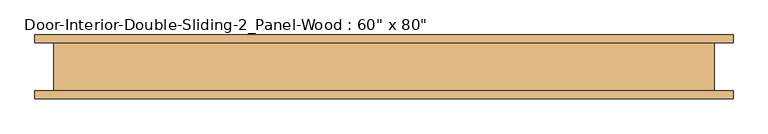
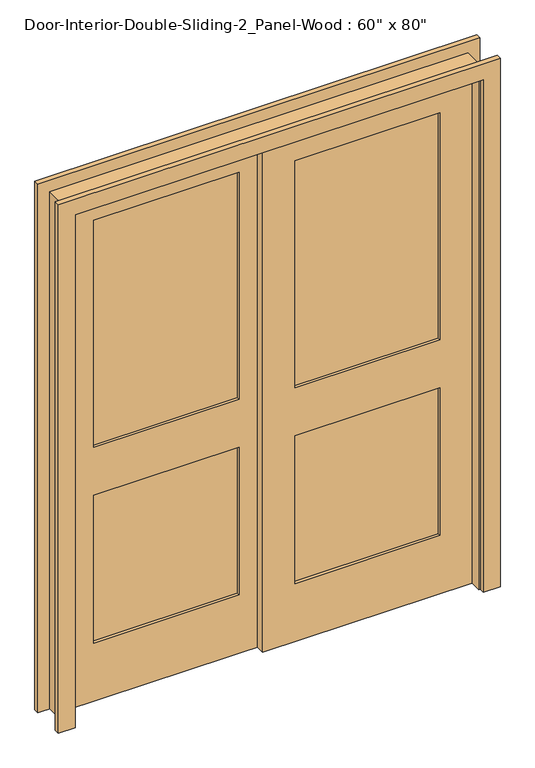
"""IFC4 building model written with IfcOpenShell, lengths in millimetres: door geometry."""

from ifc_helpers import new_model, si_unit, frame, origin, place, context, project, spatial, polyline, outline, extrude, source, transform, mapped, element, save


def door_5ad27037(model_context):
    return source(origin(), model_context, "Body", "SweptSolid", [
        extrude(outline(polyline([(641.35, -4.2333333), (95.25, -4.2333333), (95.25, 7.4083333), (641.35, 7.4083333), (641.35, -4.2333333)])), frame((0.0, 0.0, 1009.65), z_axis=(0.0, 0.0, 1.0), x_axis=(1.0, 0.0, 0.0)), (0.0, 0.0, 1.0), 903.2875),
        extrude(outline(polyline([(641.35, -4.2333333), (95.25, -4.2333333), (95.25, 7.4083333), (641.35, 7.4083333), (641.35, -4.2333333)])), frame((0.0, 0.0, 231.775), z_axis=(0.0, 0.0, 1.0), x_axis=(1.0, 0.0, 0.0)), (0.0, 0.0, 1.0), 587.375),
        extrude(outline(polyline([(2032.0, -25.4), (0.0, -25.4), (0.0, 762.0), (2032.0, 762.0), (2032.0, -25.4)]), holes=[polyline([(1912.9375, 95.25), (1912.9375, 641.35), (1009.65, 641.35), (1009.65, 95.25), (1912.9375, 95.25)]), polyline([(819.15, 95.25), (819.15, 641.35), (231.775, 641.35), (231.775, 95.25), (819.15, 95.25)])]), frame((0.0, -15.875, 0.0), z_axis=(0.0, 1.0, 0.0), x_axis=(0.0, 0.0, 1.0)), (0.0, 0.0, 1.0), 34.925),
        extrude(outline(polyline([(-95.25, 30.6916667), (-641.35, 30.6916667), (-641.35, 42.3333333), (-95.25, 42.3333333), (-95.25, 30.6916667)])), frame((0.0, 0.0, 1009.65), z_axis=(0.0, 0.0, 1.0), x_axis=(1.0, 0.0, 0.0)), (0.0, 0.0, 1.0), 903.2875),
        extrude(outline(polyline([(-95.25, 30.6916667), (-641.35, 30.6916667), (-641.35, 42.3333333), (-95.25, 42.3333333), (-95.25, 30.6916667)])), frame((0.0, 0.0, 231.775), z_axis=(0.0, 0.0, 1.0), x_axis=(1.0, 0.0, 0.0)), (0.0, 0.0, 1.0), 587.375),
        extrude(outline(polyline([(2032.0, -762.0), (0.0, -762.0), (0.0, 25.4), (2032.0, 25.4), (2032.0, -762.0)]), holes=[polyline([(1912.9375, -641.35), (1912.9375, -95.25), (1009.65, -95.25), (1009.65, -641.35), (1912.9375, -641.35)]), polyline([(819.15, -641.35), (819.15, -95.25), (231.775, -95.25), (231.775, -641.35), (819.15, -641.35)])]), frame((0.0, 19.05, 0.0), z_axis=(0.0, 1.0, 0.0), x_axis=(0.0, 0.0, 1.0)), (0.0, 0.0, 1.0), 34.925),
        extrude(outline(polyline([(0.0, 762.0), (0.0, 787.4), (2057.4, 787.4), (2057.4, -787.4), (0.0, -787.4), (0.0, -762.0), (2032.0, -762.0), (2032.0, 762.0), (0.0, 762.0)])), frame((0.0, -60.325, 0.0), z_axis=(0.0, 1.0, 0.0), x_axis=(0.0, 0.0, 1.0)), (0.0, 0.0, 1.0), 114.3),
        extrude(outline(polyline([(0.0, 768.35), (0.0, 831.85), (2101.85, 831.85), (2101.85, -831.85), (0.0, -831.85), (0.0, -768.35), (2038.35, -768.35), (2038.35, 768.35), (0.0, 768.35)])), frame((0.0, -79.375, 0.0), z_axis=(0.0, 1.0, 0.0), x_axis=(0.0, 0.0, 1.0)), (0.0, 0.0, 1.0), 19.05),
        extrude(outline(polyline([(0.0, 768.35), (0.0, 831.85), (2101.85, 831.85), (2101.85, -831.85), (0.0, -831.85), (0.0, -768.35), (2038.35, -768.35), (2038.35, 768.35), (0.0, 768.35)])), frame((0.0, 53.975, 0.0), z_axis=(0.0, 1.0, 0.0), x_axis=(0.0, 0.0, 1.0)), (0.0, 0.0, 1.0), 19.05),
    ])


if __name__ == "__main__":
    model = new_model("IFC4")
    model_context = context("Model", 3, world=origin())
    ifc_project = project(units=[si_unit("LENGTHUNIT", "METRE", prefix="MILLI")], contexts=[model_context])
    site = spatial("IfcSite", under=ifc_project)
    building = spatial("IfcBuilding", under=site)
    placement = place(None, origin())
    door_shape = door_5ad27037(model_context)
    element("IfcDoor", 1, ObjectType="Door-Interior-Double-Sliding-2_Panel-Wood : 60\" x 80\"", at=placement, inside=building, context=model_context, shape_type="MappedRepresentation", body=[
        mapped(door_shape, transform((0.0, 0.0, 0.0), x_axis=(1.0, 0.0, 0.0), y_axis=(0.0, 1.0, 0.0), z_axis=(0.0, 0.0, 1.0))),
    ])
    save(model, "model.ifc")
